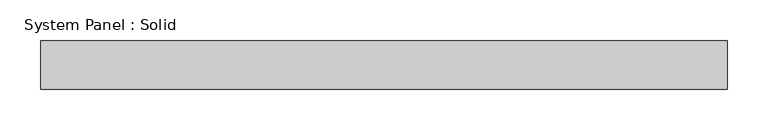
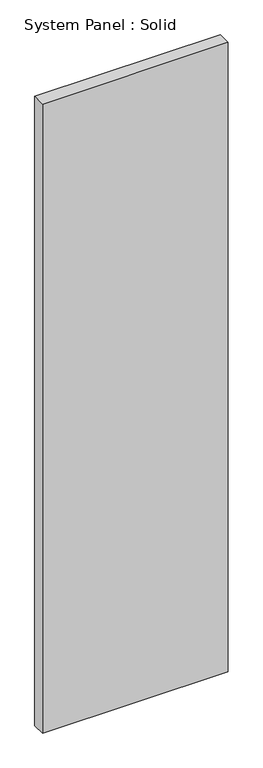
"""IFC4 building model written with IfcOpenShell, lengths in millimetres: plate geometry, System Panel : Solid."""

from ifc_helpers import new_model, si_unit, origin, origin_with_axes, place, context, project, spatial, polyline, outline, extrude, source, transform, mapped, element, save


def system_panel_solid_e2291019(model_context):
    return source(origin(), model_context, "Body", "SweptSolid", [
        extrude(outline(polyline([(421.9991002, -49.5), (-421.9991002, -49.5), (-421.9991002, 10.5), (421.9991002, 10.5), (421.9991002, -49.5)])), origin_with_axes(), (0.0, 0.0, 1.0), 3018.3328001),
    ])


if __name__ == "__main__":
    model = new_model("IFC4")
    model_context = context("Model", 3, world=origin())
    ifc_project = project(units=[si_unit("LENGTHUNIT", "METRE", prefix="MILLI")], contexts=[model_context])
    site = spatial("IfcSite", under=ifc_project)
    building = spatial("IfcBuilding", under=site)
    placement = place(None, origin())
    system_panel_solid_shape = system_panel_solid_e2291019(model_context)
    element("IfcPlate", 1, ObjectType="System Panel : Solid", at=placement, inside=building, context=model_context, shape_type="MappedRepresentation", body=[
        mapped(system_panel_solid_shape, transform((0.0, 0.0, 0.0), x_axis=(1.0, 0.0, 0.0), y_axis=(0.0, 1.0, 0.0), z_axis=(0.0, 0.0, 1.0))),
    ])
    save(model, "model.ifc")
